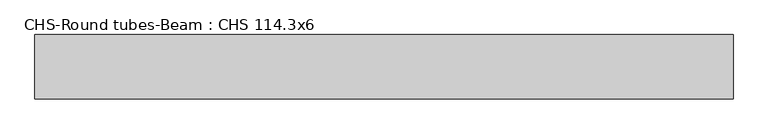
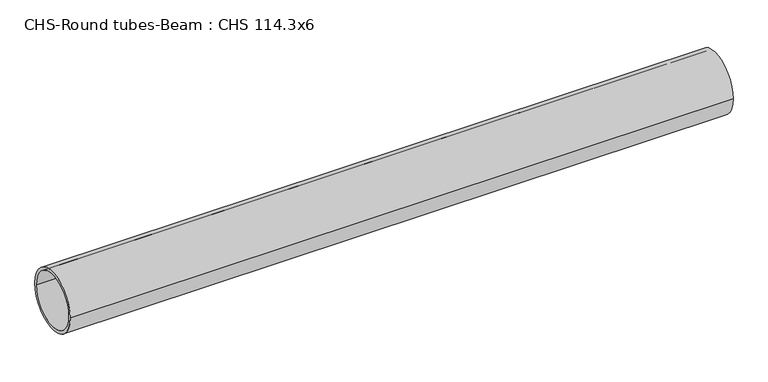
"""IFC4 building model written with IfcOpenShell, lengths in millimetres: beam geometry, CHS-Round tubes-Beam : CHS 114.3x6."""

import ifcopenshell
import ifcopenshell.guid

model = None  # the IFC model being written
_history = None  # IfcOwnerHistory: only IFC2X3 demands one
_inside = {}  # id of a spatial element -> (the spatial element, [elements in it])
_under = {}  # id of a project, library or spatial element -> (it, [spatial elements below it])
_declared = {}  # id of a project -> (the project, [libraries it declares])
_typed = {}  # id of a type object -> (the type object, [elements of that type])
_made_of = {}  # id of a material, layer set ... -> (it, [elements and type objects made of it])


def new_model(schema):
    """Start an empty IFC model of exactly this schema.

    Asked for "IFC4X3", IfcOpenShell would pick the latest addendum, in which some entities
    have other attributes; the version numbers below select the first issue.
    IFC2X3 requires an IfcOwnerHistory on every rooted entity: one is made here for all.
    """
    global model, _history
    if schema == "IFC4X3":
        model = ifcopenshell.file(schema_version=(4, 3, 0, 0))
    else:
        model = ifcopenshell.file(schema=schema)
    _inside.clear()
    _under.clear()
    _declared.clear()
    _typed.clear()
    _made_of.clear()
    _history = None
    if model.schema == "IFC2X3":
        org = make("IfcOrganization", Name="unknown")
        user = make(
            "IfcPersonAndOrganization",
            ThePerson=make("IfcPerson", FamilyName="unknown"),
            TheOrganization=org,
        )
        app = make(
            "IfcApplication",
            ApplicationDeveloper=org,
            Version="unknown",
            ApplicationFullName="unknown",
            ApplicationIdentifier="unknown",
        )
        _history = make(
            "IfcOwnerHistory",
            OwningUser=user,
            OwningApplication=app,
            ChangeAction="ADDED",
            CreationDate=0,
        )
    return model


def make(cls, **values):
    """One entity of the class cls with the attributes given. An attribute that is None is left unset."""
    return model.create_entity(
        cls, **{name: value for name, value in values.items() if value is not None}
    )


def rooted(cls, **values):
    """An entity with a GlobalId (a new one), such as an element, a storey or a relation."""
    return make(cls, GlobalId=ifcopenshell.guid.new(), OwnerHistory=_history, **values)


def si_unit(unit_type, name, prefix=None):
    """IfcSIUnit, for example si_unit("LENGTHUNIT", "METRE", prefix="MILLI")."""
    return make("IfcSIUnit", UnitType=unit_type, Prefix=prefix, Name=name)


def assignment(units):
    """IfcUnitAssignment: the units of a project."""
    return None if units is None else make("IfcUnitAssignment", Units=units)


def point(xyz):
    """IfcCartesianPoint."""
    return None if xyz is None else make("IfcCartesianPoint", Coordinates=xyz)


def direction(xyz):
    """IfcDirection."""
    return None if xyz is None else make("IfcDirection", DirectionRatios=xyz)


def frame(location, z_axis=None, x_axis=None):
    """IfcAxis2Placement3D, a coordinate frame: its origin and axes. An axis left out is left unset."""
    return make(
        "IfcAxis2Placement3D",
        Location=point(location),
        Axis=direction(z_axis),
        RefDirection=direction(x_axis),
    )


def frame_2d(location, x_axis=None):
    """IfcAxis2Placement2D, a coordinate frame in the plane: its origin and x axis."""
    return make(
        "IfcAxis2Placement2D", Location=point(location), RefDirection=direction(x_axis)
    )


def origin():
    """The frame at (0, 0, 0) with its axes left unset."""
    return frame((0.0, 0.0, 0.0))


def origin_2d():
    """The frame at (0, 0) in the plane with its x axis left unset."""
    return frame_2d((0.0, 0.0))


def place(relative_to, where):
    """IfcLocalPlacement: puts the frame where relative to a parent placement (None: the world)."""
    return make(
        "IfcLocalPlacement", PlacementRelTo=relative_to, RelativePlacement=where
    )


def context(
    kind, dimensions, precision=None, world=None, true_north=None, identifier=None
):
    """IfcGeometricRepresentationContext, for example the 3D "Model" context."""
    return make(
        "IfcGeometricRepresentationContext",
        ContextIdentifier=identifier,
        ContextType=kind,
        CoordinateSpaceDimension=dimensions,
        Precision=precision,
        WorldCoordinateSystem=world,
        TrueNorth=true_north,
    )


def project(units=None, contexts=None):
    """IfcProject with its units and contexts."""
    return rooted(
        "IfcProject",
        Name="project",
        RepresentationContexts=contexts,
        UnitsInContext=assignment(units),
    )


def spatial(cls, under=None, at=None, **own):
    """A site, building, storey or space (cls), placed at a placement, below another one or the project."""
    s = rooted(cls, ObjectPlacement=at, **own)
    if under is not None:
        _under.setdefault(under.id(), (under, []))[1].append(s)
    return s


def circle_curve(where, radius):
    """IfcCircle in the frame where."""
    return make("IfcCircle", Position=where, Radius=radius)


def trimmed(basis, trim1, trim2, sense, master):
    """IfcTrimmedCurve: the piece of a basis curve between two trims."""
    return make(
        "IfcTrimmedCurve",
        BasisCurve=basis,
        Trim1=trim1,
        Trim2=trim2,
        SenseAgreement=sense,
        MasterRepresentation=master,
    )


def segment(curve, same_sense, transition):
    """IfcCompositeCurveSegment."""
    return make(
        "IfcCompositeCurveSegment",
        Transition=transition,
        SameSense=same_sense,
        ParentCurve=curve,
    )


def composite_curve(segments, self_intersect=None):
    """IfcCompositeCurve: segments joined end to end."""
    return make("IfcCompositeCurve", Segments=segments, SelfIntersect=self_intersect)


def outline(outer, holes=None, kind="AREA"):
    """IfcArbitraryClosedProfileDef: a profile drawn as a closed curve; with holes, ...WithVoids."""
    if holes is None:
        return make("IfcArbitraryClosedProfileDef", ProfileType=kind, OuterCurve=outer)
    return make(
        "IfcArbitraryProfileDefWithVoids",
        ProfileType=kind,
        OuterCurve=outer,
        InnerCurves=holes,
    )


def extrude(swept, where, along, depth):
    """IfcExtrudedAreaSolid: the profile swept, set in the frame where, extruded along a direction by depth."""
    return make(
        "IfcExtrudedAreaSolid",
        SweptArea=swept,
        Position=where,
        ExtrudedDirection=direction(along),
        Depth=depth,
    )


def shape(context_of_items, identifier, shape_type, items):
    """IfcShapeRepresentation: the items that make up one representation, for example the "Body"."""
    return make(
        "IfcShapeRepresentation",
        ContextOfItems=context_of_items,
        RepresentationIdentifier=identifier,
        RepresentationType=shape_type,
        Items=items,
    )


def source(mapping_origin, context_of_items, identifier, shape_type, items):
    """IfcRepresentationMap: a shape defined once, which mapped items show again and again."""
    return make(
        "IfcRepresentationMap",
        MappingOrigin=mapping_origin,
        MappedRepresentation=shape(context_of_items, identifier, shape_type, items),
    )


def transform(
    local_origin,
    x_axis=None,
    y_axis=None,
    z_axis=None,
    scale=None,
    scale2=None,
    scale3=None,
    uniform=True,
):
    """IfcCartesianTransformationOperator3D, or its non-uniform kind. x_axis, y_axis, z_axis: its Axis1, 2, 3."""
    if uniform:
        return make(
            "IfcCartesianTransformationOperator3D",
            Axis1=direction(x_axis),
            Axis2=direction(y_axis),
            LocalOrigin=point(local_origin),
            Scale=scale,
            Axis3=direction(z_axis),
        )
    return make(
        "IfcCartesianTransformationOperator3DnonUniform",
        Axis1=direction(x_axis),
        Axis2=direction(y_axis),
        LocalOrigin=point(local_origin),
        Scale=scale,
        Axis3=direction(z_axis),
        Scale2=scale2,
        Scale3=scale3,
    )


def mapped(mapping_source, mapping_target):
    """IfcMappedItem: shows the shape of a source again, moved by a transform."""
    return make(
        "IfcMappedItem", MappingSource=mapping_source, MappingTarget=mapping_target
    )


def made_of(thing, what):
    """Note that an element or type object is made of a material, layer set ...; save() writes the relation."""
    if what is not None:
        _made_of.setdefault(what.id(), (what, []))[1].append(thing)
    return thing


def element(
    cls,
    number,
    at=None,
    inside=None,
    cuts=None,
    type_object=None,
    material=None,
    context=None,
    identifier="Body",
    shape_type=None,
    held_by="IfcProductDefinitionShape",
    body=None,
    shapes=None,
    **own,
):
    """One element of the class cls, such as IfcWall. Its Tag is "e" and its number.

    at: its placement. inside: the storey or other place that contains it. cuts: it is an
    opening in that element (IfcRelVoidsElement). A single representation is given by context,
    identifier, shape_type and body (its items); several are given by shapes. held_by: the class
    of the entity that holds the representations. save() writes the other relations.
    """
    e = rooted(cls, Tag="e%d" % number, ObjectPlacement=at, **own)
    if body is not None:
        shapes = [shape(context, identifier, shape_type, body)]
    if shapes is not None:
        e.Representation = make(held_by, Representations=shapes)
    if inside is not None:
        _inside.setdefault(inside.id(), (inside, []))[1].append(e)
    if cuts is not None:
        rooted(
            "IfcRelVoidsElement", RelatingBuildingElement=cuts, RelatedOpeningElement=e
        )
    if type_object is not None:
        _typed.setdefault(type_object.id(), (type_object, []))[1].append(e)
    return made_of(e, material)


def aggregate(whole, parts):
    """IfcRelAggregates: a whole, such as a stair, and the parts it consists of."""
    return rooted("IfcRelAggregates", RelatingObject=whole, RelatedObjects=parts)


def save(model, path):
    """Write the relations noted so far, then the file.

    IfcRelAggregates (storeys below a building ...), IfcRelContainedInSpatialStructure (elements
    in a storey), IfcRelDefinesByType, IfcRelAssociatesMaterial and IfcRelDeclares: one each for
    every whole, place, type object, material and project.
    """
    for whole, parts in _under.values():
        aggregate(whole, parts)
    for where, things in _inside.values():
        rooted(
            "IfcRelContainedInSpatialStructure",
            RelatedElements=things,
            RelatingStructure=where,
        )
    for kind, things in _typed.values():
        rooted("IfcRelDefinesByType", RelatedObjects=things, RelatingType=kind)
    for what, things in _made_of.values():
        rooted("IfcRelAssociatesMaterial", RelatedObjects=things, RelatingMaterial=what)
    for by, libraries in _declared.values():
        rooted("IfcRelDeclares", RelatingContext=by, RelatedDefinitions=libraries)
    model.write(path)


def chs_round_tubes_beam_chs_114_3x6_bda9a468(model_context):
    return source(origin(), model_context, "Body", "SweptSolid", [
        extrude(outline(composite_curve([segment(trimmed(circle_curve(origin_2d(), 57.15), [point((57.15, 0.0))], [point((-57.15, 0.0))], False, "CARTESIAN"), True, "CONTINUOUS"), segment(trimmed(circle_curve(origin_2d(), 57.15), [point((-57.15, 0.0))], [point((57.15, 0.0))], False, "CARTESIAN"), True, "CONTINUOUS")], self_intersect=False), holes=[composite_curve([segment(trimmed(circle_curve(origin_2d(), 51.15), [point((51.15, 0.0))], [point((-51.15, 0.0))], True, "CARTESIAN"), True, "CONTINUOUS"), segment(trimmed(circle_curve(origin_2d(), 51.15), [point((-51.15, 0.0))], [point((51.15, 0.0))], True, "CARTESIAN"), True, "CONTINUOUS")], self_intersect=False)]), frame((-614.1275416, 0.0, 0.0), z_axis=(1.0, 0.0, 0.0), x_axis=(0.0, 1.0, 0.0)), (0.0, 0.0, 1.0), 1238.7608478),
    ])


if __name__ == "__main__":
    model = new_model("IFC4")
    model_context = context("Model", 3, world=origin())
    ifc_project = project(units=[si_unit("LENGTHUNIT", "METRE", prefix="MILLI")], contexts=[model_context])
    site = spatial("IfcSite", under=ifc_project)
    building = spatial("IfcBuilding", under=site)
    placement = place(None, origin())
    chs_round_tubes_beam_chs_114_3x6_shape = chs_round_tubes_beam_chs_114_3x6_bda9a468(model_context)
    element("IfcBeam", 1, ObjectType="CHS-Round tubes-Beam : CHS 114.3x6", at=placement, inside=building, context=model_context, shape_type="MappedRepresentation", body=[
        mapped(chs_round_tubes_beam_chs_114_3x6_shape, transform((0.0, 0.0, 0.0), x_axis=(1.0, 0.0, 0.0), y_axis=(0.0, 1.0, 0.0), z_axis=(0.0, 0.0, 1.0))),
    ])
    save(model, "model.ifc")
